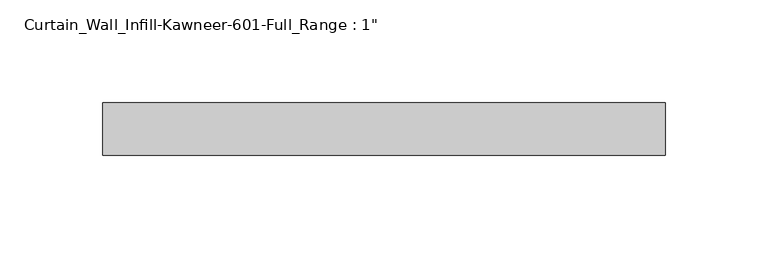
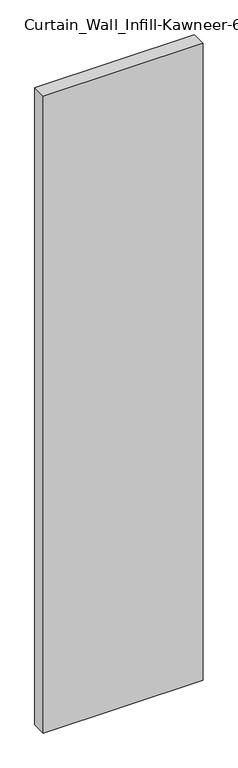
"""IFC4 building model written with IfcOpenShell, lengths in millimetres: plate geometry."""

from ifc_helpers import new_model, si_unit, origin, origin_with_axes, place, context, project, spatial, polyline, outline, extrude, source, transform, mapped, element, save


def plate_b9c1aa91(model_context):
    return source(origin(), model_context, "Body", "SweptSolid", [
        extrude(outline(polyline([(-136.525, 12.7), (136.525, 12.7), (136.525, -12.7), (-136.525, -12.7), (-136.525, 12.7)])), origin_with_axes(), (0.0, 0.0, 1.0), 1149.35),
    ])


if __name__ == "__main__":
    model = new_model("IFC4")
    model_context = context("Model", 3, world=origin())
    ifc_project = project(units=[si_unit("LENGTHUNIT", "METRE", prefix="MILLI")], contexts=[model_context])
    site = spatial("IfcSite", under=ifc_project)
    building = spatial("IfcBuilding", under=site)
    placement = place(None, origin())
    plate_shape = plate_b9c1aa91(model_context)
    element("IfcPlate", 1, ObjectType="Curtain_Wall_Infill-Kawneer-601-Full_Range : 1\"", at=placement, inside=building, context=model_context, shape_type="MappedRepresentation", body=[
        mapped(plate_shape, transform((0.0, 0.0, 0.0), x_axis=(1.0, 0.0, 0.0), y_axis=(0.0, 1.0, 0.0), z_axis=(0.0, 0.0, 1.0))),
    ])
    save(model, "model.ifc")
